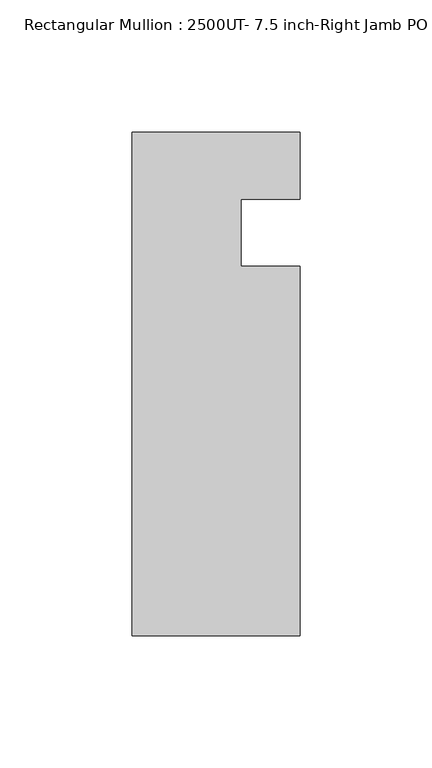
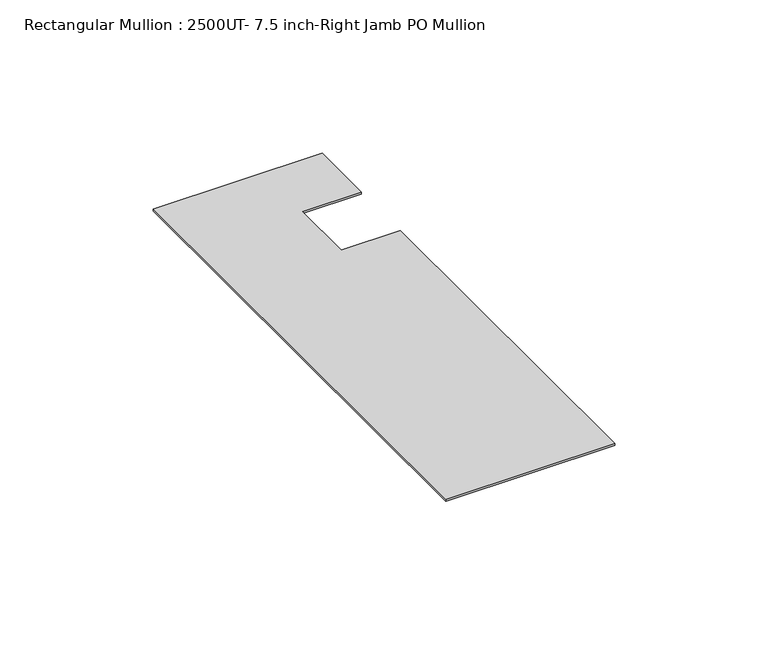
"""IFC4 building model written with IfcOpenShell, lengths in millimetres: member geometry, Rectangular Mullion : 2500UT- 7.5 inch-Right Jamb PO Mullion."""

from ifc_helpers import new_model, si_unit, frame, origin, place, context, project, spatial, polyline, outline, extrude, source, transform, mapped, element, save


def rectangular_mullion_2500ut_7_5_inch_right_jamb_po_mullion_6cb8f031(model_context):
    return source(origin(), model_context, "Body", "SweptSolid", [
        extrude(outline(polyline([(31.75, -152.399995), (-31.75, -152.399995), (-31.75, 38.100005), (31.75, 38.100005), (31.75, 12.7217944), (9.525, 12.7217944), (9.525, -12.7), (31.75, -12.7), (31.75, -152.399995)])), frame((0.0, 0.0, -0.7941147), z_axis=(0.0, 0.0, 1.0), x_axis=(1.0, 0.0, 0.0)), (0.0, 0.0, 1.0), 0.7941147),
    ])


if __name__ == "__main__":
    model = new_model("IFC4")
    model_context = context("Model", 3, world=origin())
    ifc_project = project(units=[si_unit("LENGTHUNIT", "METRE", prefix="MILLI")], contexts=[model_context])
    site = spatial("IfcSite", under=ifc_project)
    building = spatial("IfcBuilding", under=site)
    placement = place(None, origin())
    rectangular_mullion_2500ut_7_5_inch_right_jamb_po_mullion_shape = rectangular_mullion_2500ut_7_5_inch_right_jamb_po_mullion_6cb8f031(model_context)
    element("IfcMember", 1, ObjectType="Rectangular Mullion : 2500UT- 7.5 inch-Right Jamb PO Mullion", at=placement, inside=building, context=model_context, shape_type="MappedRepresentation", body=[
        mapped(rectangular_mullion_2500ut_7_5_inch_right_jamb_po_mullion_shape, transform((0.0, 0.0, 0.0), x_axis=(1.0, 0.0, 0.0), y_axis=(0.0, 1.0, 0.0), z_axis=(0.0, 0.0, 1.0))),
    ])
    save(model, "model.ifc")
